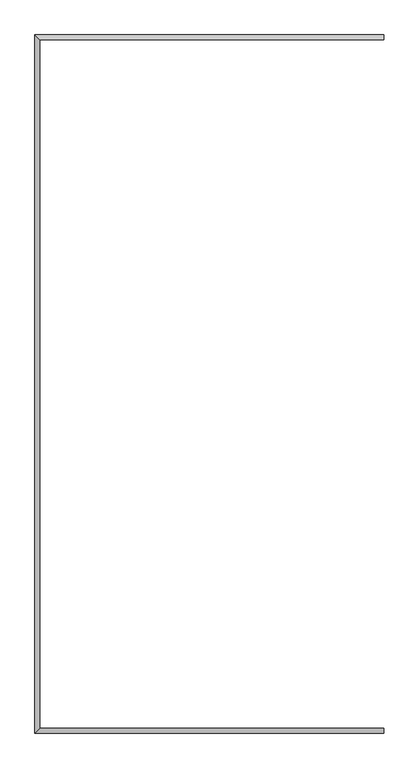
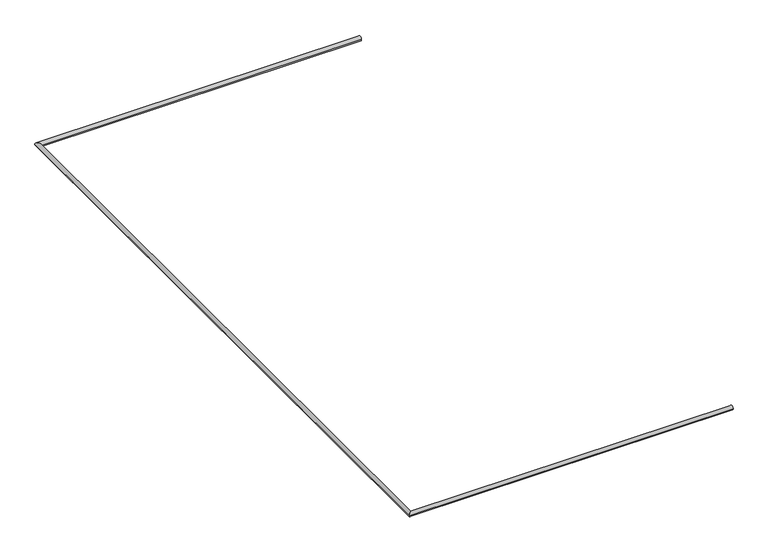
"""IFC4 building model written with IfcOpenShell, lengths in millimetres: railing geometry."""

from ifc_helpers import new_model, si_unit, frame, origin, place, context, project, spatial, circle_curve, ellipse_curve, source, transform, mapped, element, save
from ifc_brep_helpers import plane_surface, cylinder_surface, advanced_brep


def railing_a3ce5e27(model_context):
    return source(origin(), model_context, "Body", "AdvancedBrep", [
        advanced_brep(
        [(62891.5540885, -1194.2688696, 4130.0), (62891.5540885, -1154.2688696, 4130.0), (62891.5540885, -7114.2688696, 4130.0), (62891.5540885, -7154.2688696, 4130.0), (59891.5540885, -1154.2688696, 4130.0), (59931.5540885, -1194.2688696, 4130.0), (59891.5540885, -7154.2688696, 4130.0), (59931.5540885, -7114.2688696, 4130.0)],
        [
            (0, 1, circle_curve(frame((62891.5540885, -1174.2688696, 4130.0), z_axis=(1.0, 0.0, 0.0), x_axis=(0.0, 1.0, 0.0)), 20.0)),
            (1, 0, circle_curve(frame((62891.5540885, -1174.2688696, 4130.0), z_axis=(1.0, 0.0, 0.0), x_axis=(0.0, 1.0, 0.0)), 20.0)),
            (2, 3, circle_curve(frame((62891.5540885, -7134.2688696, 4130.0), z_axis=(1.0, 0.0, 0.0), x_axis=(0.0, -1.0, 0.0)), 20.0)),
            (3, 2, circle_curve(frame((62891.5540885, -7134.2688696, 4130.0), z_axis=(1.0, 0.0, 0.0), x_axis=(0.0, -1.0, 0.0)), 20.0)),
            (1, 4),
            (4, 5, ellipse_curve(frame((59911.5540885, -1174.2688696, 4130.0), z_axis=(0.7071067811865475, 0.7071067811865475, 0.0), x_axis=(0.7071067811865476, -0.7071067811865474, 0.0)), 28.2842712, 20.0)),
            (5, 0),
            (5, 4, ellipse_curve(frame((59911.5540885, -1174.2688696, 4130.0), z_axis=(0.7071067811865475, 0.7071067811865475, 0.0), x_axis=(0.7071067811865476, -0.7071067811865474, 0.0)), 28.2842712, 20.0)),
            (4, 6),
            (6, 7, ellipse_curve(frame((59911.5540885, -7134.2688696, 4130.0), z_axis=(-0.7071067811865475, 0.7071067811865475, 0.0), x_axis=(0.7071067811865474, 0.7071067811865476, 0.0)), 28.2842712, 20.0)),
            (7, 5),
            (7, 6, ellipse_curve(frame((59911.5540885, -7134.2688696, 4130.0), z_axis=(-0.7071067811865475, 0.7071067811865475, 0.0), x_axis=(0.7071067811865474, 0.7071067811865476, 0.0)), 28.2842712, 20.0)),
            (6, 3),
            (2, 7),
        ],
        [
            plane_surface(frame((62891.5540885, -1174.2688696, 4150.0), z_axis=(1.0, 0.0, 0.0), x_axis=(0.0, -1.0, 0.0))),
            plane_surface(frame((62891.5540885, -7134.2688696, 4150.0), z_axis=(1.0, 0.0, 0.0), x_axis=(0.0, 1.0, 0.0))),
            cylinder_surface(frame((62891.5540885, -1174.2688696, 4130.0), z_axis=(1.0, 0.0, 0.0), x_axis=(0.0, 1.0, 0.0)), 20.0),
            cylinder_surface(frame((59911.5540885, -1174.2688696, 4130.0), z_axis=(0.0, 1.0, 0.0), x_axis=(-1.0, 0.0, 0.0)), 20.0),
            cylinder_surface(frame((59911.5540885, -7134.2688696, 4130.0), z_axis=(-1.0, 0.0, 0.0), x_axis=(0.0, -1.0, 0.0)), 20.0),
        ],
        [
            (0, [[1, 2]]),
            (1, [[3, 4]]),
            (2, [[-2, 5, 6, 7]]),
            (2, [[-1, -7, 8, -5]]),
            (3, [[-6, 9, 10, 11]]),
            (3, [[-8, -11, 12, -9]]),
            (4, [[-10, 13, -3, 14]]),
            (4, [[-12, -14, -4, -13]]),
        ],
    ),
    ])


if __name__ == "__main__":
    model = new_model("IFC4")
    model_context = context("Model", 3, world=origin())
    ifc_project = project(units=[si_unit("LENGTHUNIT", "METRE", prefix="MILLI")], contexts=[model_context])
    site = spatial("IfcSite", under=ifc_project)
    building = spatial("IfcBuilding", under=site)
    placement = place(None, origin())
    railing_shape = railing_a3ce5e27(model_context)
    element("IfcRailing", 1, at=placement, inside=building, context=model_context, shape_type="MappedRepresentation", body=[
        mapped(railing_shape, transform((0.0, 0.0, 0.0), x_axis=(1.0, 0.0, 0.0), y_axis=(0.0, 1.0, 0.0), z_axis=(0.0, 0.0, 1.0))),
    ])
    save(model, "model.ifc")
